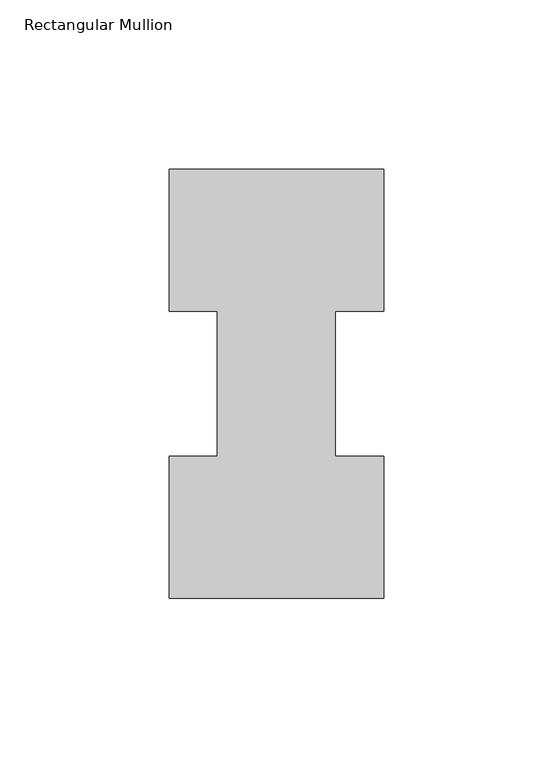
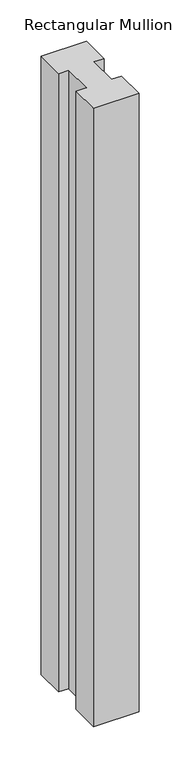
"""IFC4 building model written with IfcOpenShell, lengths in millimetres: member geometry, Rectangular Mullion."""

from ifc_helpers import new_model, si_unit, frame, origin, place, context, project, spatial, polyline, outline, extrude, source, transform, mapped, element, save


def rectangular_mullion_7641dbd5(model_context):
    return source(origin(), model_context, "Body", "SweptSolid", [
        extrude(outline(polyline([(-31.75, 127.00635), (31.75, 127.00635), (31.75, 84.93125), (17.4625, 84.93125), (17.4625, 42.08145), (31.75, 42.08145), (31.75, 0.00635), (-31.75, 0.00635), (-31.75, 42.08145), (-17.4625, 42.08145), (-17.4625, 84.93125), (-31.75, 84.93125), (-31.75, 127.00635)])), frame((0.0, 0.0, -914.4), z_axis=(0.0, 0.0, 1.0), x_axis=(1.0, 0.0, 0.0)), (0.0, 0.0, 1.0), 914.4),
    ])


if __name__ == "__main__":
    model = new_model("IFC4")
    model_context = context("Model", 3, world=origin())
    ifc_project = project(units=[si_unit("LENGTHUNIT", "METRE", prefix="MILLI")], contexts=[model_context])
    site = spatial("IfcSite", under=ifc_project)
    building = spatial("IfcBuilding", under=site)
    placement = place(None, origin())
    rectangular_mullion_shape = rectangular_mullion_7641dbd5(model_context)
    element("IfcMember", 1, ObjectType="Rectangular Mullion", at=placement, inside=building, context=model_context, shape_type="MappedRepresentation", body=[
        mapped(rectangular_mullion_shape, transform((0.0, 0.0, 0.0), x_axis=(1.0, 0.0, 0.0), y_axis=(0.0, 1.0, 0.0), z_axis=(0.0, 0.0, 1.0))),
    ])
    save(model, "model.ifc")
